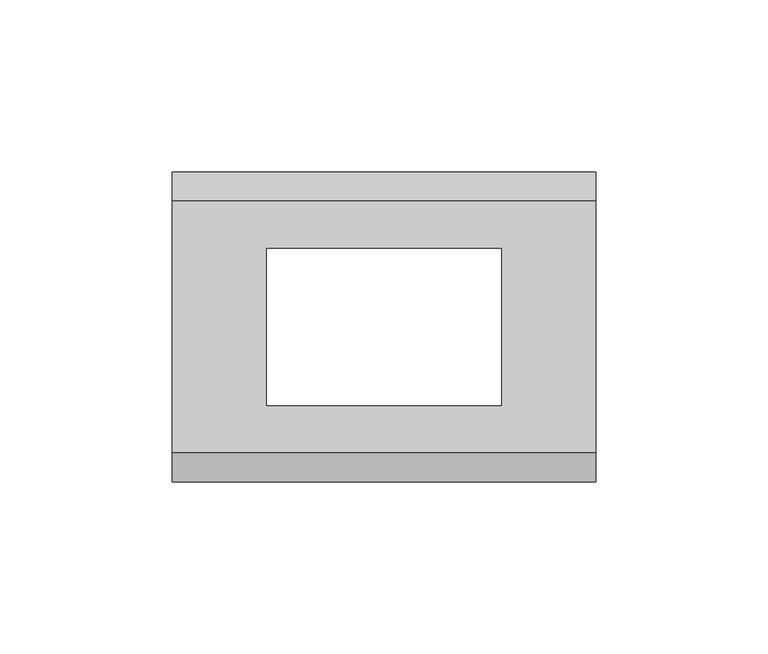
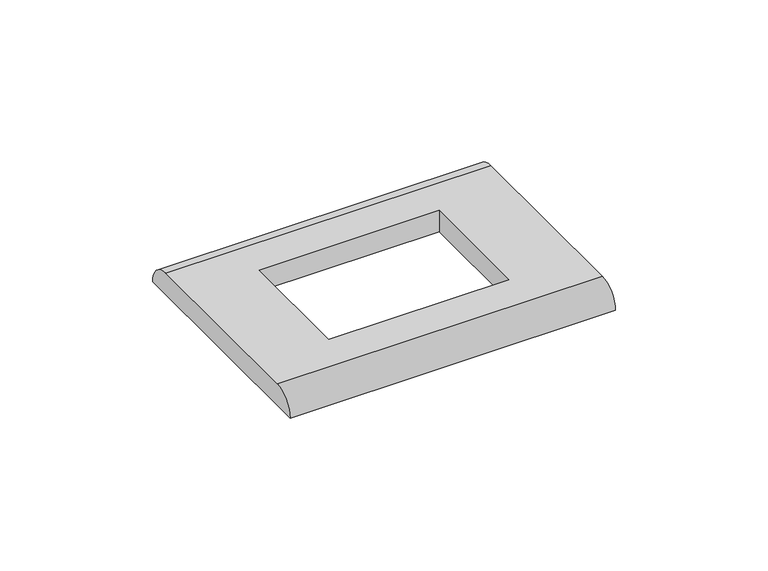
"""IFC4 building model written with IfcOpenShell, lengths in millimetres: proxy geometry."""

from ifc_helpers import new_model, si_unit, frame, origin, place, context, project, spatial, circle_curve, source, transform, mapped, element, save
from ifc_brep_helpers import plane_surface, cylinder_surface, advanced_brep


def electrical_fixtures_3ccf5bb2(model_context):
    return source(origin(), model_context, "Body", "AdvancedBrep", [
        advanced_brep(
        [(61.5, 36.5, 8.5), (-61.5, 36.5, 8.5), (-61.5, -36.5, 8.5), (61.5, -36.5, 8.5), (-34.0, 22.75, 8.5), (34.0, 22.75, 8.5), (34.0, -22.75, 8.5), (-34.0, -22.75, 8.5), (61.5, 45.0, 0.0), (61.5, -45.0, 0.0), (-61.5, -45.0, 0.0), (-61.5, 45.0, 0.0), (34.0, 22.75, 0.0), (-34.0, 22.75, 0.0), (-34.0, -22.75, 0.0), (34.0, -22.75, 0.0)],
        [
            (0, 1),
            (1, 2),
            (2, 3),
            (3, 0),
            (4, 5),
            (5, 6),
            (6, 7),
            (7, 4),
            (8, 9),
            (9, 10),
            (10, 11),
            (11, 8),
            (12, 13),
            (13, 14),
            (14, 15),
            (15, 12),
            (10, 2, circle_curve(frame((-61.5, -36.5, 0.0), z_axis=(-1.0, 0.0, 0.0), x_axis=(0.0, 1.0, 0.0)), 8.5)),
            (1, 11, circle_curve(frame((-61.5, 36.5, 0.0), z_axis=(-1.0, 0.0, 0.0), x_axis=(0.0, -1.0, 0.0)), 8.5)),
            (8, 0, circle_curve(frame((61.5, 36.5, 0.0), z_axis=(1.0, 0.0, 0.0), x_axis=(0.0, -1.0, 0.0)), 8.5)),
            (3, 9, circle_curve(frame((61.5, -36.5, 0.0), z_axis=(1.0, 0.0, 0.0), x_axis=(0.0, 1.0, 0.0)), 8.5)),
            (4, 13),
            (12, 5),
            (7, 14),
            (6, 15),
        ],
        [
            plane_surface(frame((-61.5, 45.0, 8.5), z_axis=(0.0, 0.0, 1.0), x_axis=(0.0, -1.0, 0.0))),
            plane_surface(frame((-61.5, 45.0, 0.0), z_axis=(0.0, 0.0, -1.0), x_axis=(0.0, 1.0, 0.0))),
            plane_surface(frame((-61.5, 45.0, 8.5), z_axis=(-1.0, 0.0, 0.0), x_axis=(0.0, 0.0, -1.0))),
            plane_surface(frame((61.5, -45.0, 8.5), z_axis=(1.0, 0.0, 0.0), x_axis=(0.0, 0.0, -1.0))),
            plane_surface(frame((34.0, 22.75, 8.5), z_axis=(0.0, -1.0, 0.0), x_axis=(0.0, 0.0, -1.0))),
            plane_surface(frame((-34.0, 22.75, 8.5), z_axis=(1.0, 0.0, 0.0), x_axis=(0.0, 0.0, -1.0))),
            plane_surface(frame((-34.0, -22.75, 8.5), z_axis=(0.0, 1.0, 0.0), x_axis=(0.0, 0.0, -1.0))),
            plane_surface(frame((34.0, -22.75, 8.5), z_axis=(-1.0, 0.0, 0.0), x_axis=(0.0, 0.0, -1.0))),
            cylinder_surface(frame((61.5, 36.5, 0.0), z_axis=(-1.0, 0.0, 0.0), x_axis=(0.0, -1.0, 0.0)), 8.5),
            cylinder_surface(frame((61.5, -36.5, 0.0), z_axis=(-1.0, 0.0, 0.0), x_axis=(0.0, 1.0, 0.0)), 8.5),
        ],
        [
            (0, [[1, 2, 3, 4], [5, 6, 7, 8]]),
            (1, [[9, 10, 11, 12], [13, 14, 15, 16]]),
            (2, [[-11, 17, -2, 18]]),
            (3, [[-9, 19, -4, 20]]),
            (4, [[21, -13, 22, -5]]),
            (5, [[-21, -8, 23, -14]]),
            (6, [[-23, -7, 24, -15]]),
            (7, [[-22, -16, -24, -6]]),
            (8, [[-1, -19, -12, -18]]),
            (9, [[-3, -17, -10, -20]]),
        ],
    ),
    ])


if __name__ == "__main__":
    model = new_model("IFC4")
    model_context = context("Model", 3, world=origin())
    ifc_project = project(units=[si_unit("LENGTHUNIT", "METRE", prefix="MILLI")], contexts=[model_context])
    site = spatial("IfcSite", under=ifc_project)
    building = spatial("IfcBuilding", under=site)
    placement = place(None, origin())
    electrical_fixtures_shape = electrical_fixtures_3ccf5bb2(model_context)
    element("IfcBuildingElementProxy", 1, Name="Electrical Fixtures", at=placement, inside=building, context=model_context, shape_type="MappedRepresentation", body=[
        mapped(electrical_fixtures_shape, transform((0.0, 0.0, 0.0), x_axis=(1.0, 0.0, 0.0), y_axis=(0.0, 1.0, 0.0), z_axis=(0.0, 0.0, 1.0))),
    ])
    save(model, "model.ifc")
